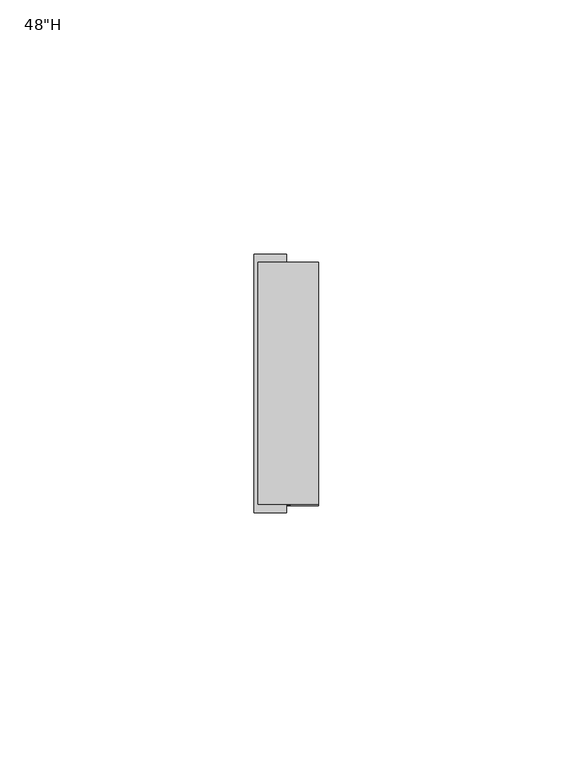
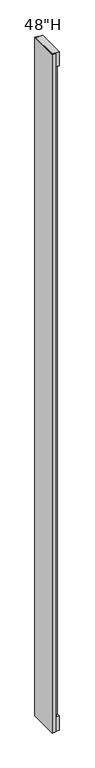
"""IFC4 building model written with IfcOpenShell, lengths in millimetres: furniture geometry."""

from ifc_helpers import new_model, si_unit, frame, origin, place, context, project, spatial, polyline, outline, extrude, source, transform, mapped, element, save


def furniture_1e800988(model_context):
    return source(origin(), model_context, "Body", "SweptSolid", [
        extrude(outline(polyline([(-5.55625, -23.7998), (-5.55625, 23.7998), (0.80645, 23.7998), (6.35, 18.25625), (6.35, -18.25625), (0.80645, -23.7998), (-5.55625, -23.7998)])), frame((0.0, 0.0, 34.925), z_axis=(0.0, 0.0, 1.0), x_axis=(1.0, 0.0, 0.0)), (0.0, 0.0, 1.0), 1168.4),
        extrude(outline(polyline([(6.35, 23.7998), (6.35, -23.7998), (-5.55625, -23.7998), (-5.55625, 23.7998), (6.35, 23.7998)])), frame((0.0, 0.0, 1203.325), z_axis=(0.0, 0.0, 1.0), x_axis=(1.0, 0.0, 0.0)), (0.0, 0.0, 1.0), 25.4),
        extrude(outline(polyline([(6.35, 23.7998), (6.35, -23.7998), (-5.55625, -23.7998), (-5.55625, 23.7998), (6.35, 23.7998)])), frame((0.0, 0.0, 9.525), z_axis=(0.0, 0.0, 1.0), x_axis=(1.0, 0.0, 0.0)), (0.0, 0.0, 1.0), 25.4),
        extrude(outline(polyline([(0.0, 25.4), (0.0, 23.7998), (-5.55625, 23.7998), (-5.55625, -23.7998), (0.0, -23.7998), (0.0, -25.4), (-6.35, -25.4), (-6.35, 25.4), (0.0, 25.4)])), frame((0.0, 0.0, 9.525), z_axis=(0.0, 0.0, 1.0), x_axis=(1.0, 0.0, 0.0)), (0.0, 0.0, 1.0), 1219.2),
    ])


if __name__ == "__main__":
    model = new_model("IFC4")
    model_context = context("Model", 3, world=origin())
    ifc_project = project(units=[si_unit("LENGTHUNIT", "METRE", prefix="MILLI")], contexts=[model_context])
    site = spatial("IfcSite", under=ifc_project)
    building = spatial("IfcBuilding", under=site)
    placement = place(None, origin())
    furniture_shape = furniture_1e800988(model_context)
    element("IfcFurniture", 1, ObjectType="48\"H", at=placement, inside=building, context=model_context, shape_type="MappedRepresentation", body=[
        mapped(furniture_shape, transform((0.0, 0.0, 0.0), x_axis=(1.0, 0.0, 0.0), y_axis=(0.0, 1.0, 0.0), z_axis=(0.0, 0.0, 1.0))),
    ])
    save(model, "model.ifc")
